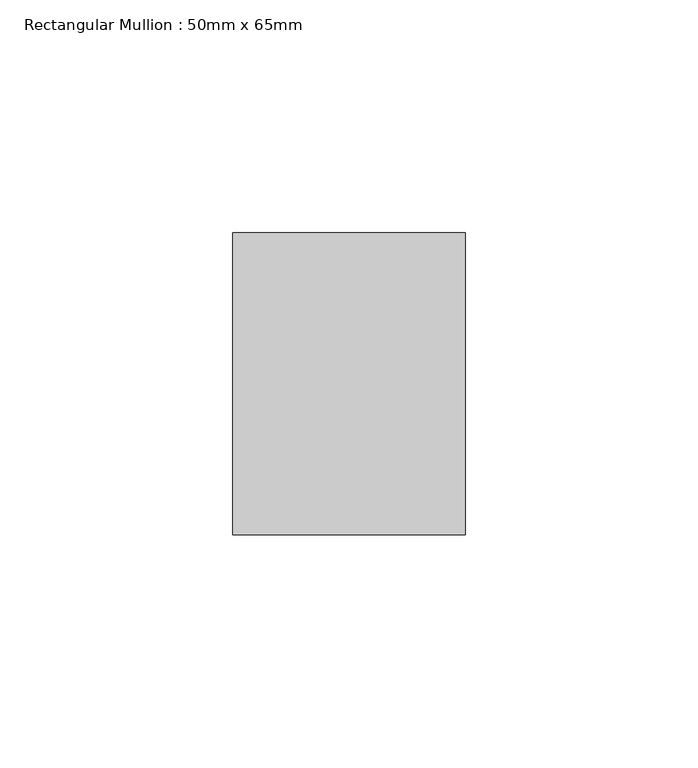
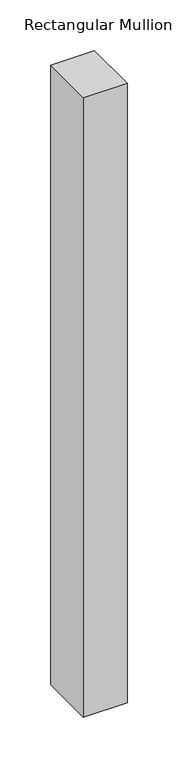
"""IFC4 building model written with IfcOpenShell, lengths in millimetres: member geometry, Rectangular Mullion : 50mm x 65mm."""

from ifc_helpers import new_model, si_unit, frame, origin, place, context, project, spatial, polyline, outline, extrude, source, transform, mapped, element, save


def rectangular_mullion_50mm_x_65mm_19549aa0(model_context):
    return source(origin(), model_context, "Body", "SweptSolid", [
        extrude(outline(polyline([(25.0, 32.5), (25.0, -32.5), (-25.0, -32.5), (-25.0, 32.5), (25.0, 32.5)])), frame((0.0, 0.0, -748.3577915), z_axis=(0.0, 0.0, 1.0), x_axis=(1.0, 0.0, 0.0)), (0.0, 0.0, 1.0), 748.3577915),
    ])


if __name__ == "__main__":
    model = new_model("IFC4")
    model_context = context("Model", 3, world=origin())
    ifc_project = project(units=[si_unit("LENGTHUNIT", "METRE", prefix="MILLI")], contexts=[model_context])
    site = spatial("IfcSite", under=ifc_project)
    building = spatial("IfcBuilding", under=site)
    placement = place(None, origin())
    rectangular_mullion_50mm_x_65mm_shape = rectangular_mullion_50mm_x_65mm_19549aa0(model_context)
    element("IfcMember", 1, ObjectType="Rectangular Mullion : 50mm x 65mm", at=placement, inside=building, context=model_context, shape_type="MappedRepresentation", body=[
        mapped(rectangular_mullion_50mm_x_65mm_shape, transform((0.0, 0.0, 0.0), x_axis=(1.0, 0.0, 0.0), y_axis=(0.0, 1.0, 0.0), z_axis=(0.0, 0.0, 1.0))),
    ])
    save(model, "model.ifc")
